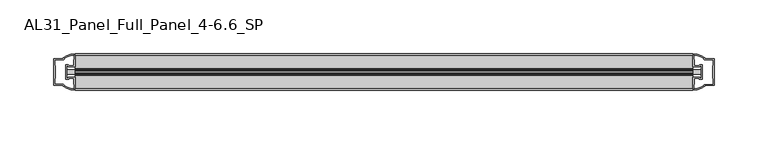
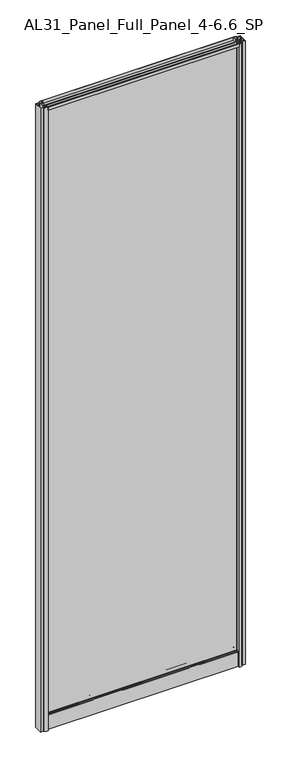
"""IFC4 building model written with IfcOpenShell, lengths in millimetres: plate geometry, AL31_Panel_Full_Panel_4-6.6_SP."""

from ifc_helpers import new_model, si_unit, point, frame, frame_2d, origin, origin_with_axes, place, context, project, spatial, polyline, circle_curve, trimmed, segment, composite_curve, outline, extrude, source, transform, mapped, element, save


def al31_panel_full_panel_4_6_6_sp_a6f5f22f(model_context):
    return source(origin(), model_context, "Body", "SweptSolid", [
        extrude(outline(composite_curve([segment(polyline([(-1.4, 1968.8980762), (-0.85, 1967.9454483)]), True, "CONTINUOUS"), segment(trimmed(circle_curve(frame_2d((0.1, 1966.3)), 1.9), [point((-0.85, 1967.9454483))], [point((1.05, 1967.9454483))], True, "CARTESIAN"), True, "CONTINUOUS"), segment(polyline([(1.05, 1967.9454483), (1.6, 1968.8980762)]), True, "CONTINUOUS"), segment(trimmed(circle_curve(frame_2d((0.1, 1966.3)), 3.0), [point((1.6, 1968.8980762))], [point((2.5718414, 1964.6))], False, "CARTESIAN"), True, "CONTINUOUS"), segment(polyline([(2.5718414, 1964.6), (15.7, 1964.6), (15.7, 1974.0), (17.0, 1974.0), (17.0, 1963.5), (6.7024688, 1963.5), (6.7024688, 1962.7), (6.1968782, 1960.7785039), (6.1968782, 1956.1), (5.0, 1956.1), (5.0, 1961.4339746), (5.5, 1962.3), (5.5, 1963.5), (-5.5, 1963.5), (-5.5, 1962.3), (-5.0, 1961.4339746), (-5.0, 1956.1), (-6.1968782, 1956.1), (-6.1968782, 1960.7785039), (-6.7024688, 1962.7), (-6.7024688, 1963.5), (-17.0, 1963.5), (-17.0, 1974.0), (-15.7, 1974.0), (-15.7, 1964.6), (-2.3718414, 1964.6)]), True, "CONTINUOUS"), segment(trimmed(circle_curve(frame_2d((0.1, 1966.3)), 3.0), [point((-2.3718414, 1964.6))], [point((-1.4, 1968.8980762))], False, "CARTESIAN"), True, "CONTINUOUS")], self_intersect=False)), frame((-286.878181, 0.0, 0.0), z_axis=(1.0, 0.0, 0.0), x_axis=(0.0, 1.0, 0.0)), (0.0, 0.0, 1.0), 573.7563621),
        extrude(outline(composite_curve([segment(polyline([(-294.7196024, -5.9), (-293.5196024, -5.9), (-293.5196024, -5.0), (-286.878181, -5.0), (-286.878181, -17.0001453)]), True, "CONTINUOUS"), segment(trimmed(circle_curve(frame_2d((-286.5135294, 2.9965302)), 20.0), [point((-286.878181, -17.0001453))], [point((-298.2340162, -13.2093388))], False, "CARTESIAN"), True, "CONTINUOUS"), segment(polyline([(-298.2340162, -13.2093388), (-298.2340162, -12.3279343), (-306.878181, -12.3279343), (-306.878181, 12.3720657), (-298.2340162, 12.3720657), (-298.2340162, 13.2095249)]), True, "CONTINUOUS"), segment(trimmed(circle_curve(frame_2d((-286.5135294, -2.9963441)), 20.0), [point((-298.2340162, 13.2095249))], [point((-286.878181, 17.0003314))], False, "CARTESIAN"), True, "CONTINUOUS"), segment(polyline([(-286.878181, 17.0003314), (-286.878181, 5.0), (-293.5196024, 5.0), (-293.5196024, 5.9), (-294.7196024, 5.9), (-294.7196024, -5.9)]), True, "CONTINUOUS")], self_intersect=False), holes=[composite_curve([segment(trimmed(circle_curve(frame_2d((-293.7196024, 5.7)), 1.5), [point((-293.7196024, 7.2))], [point((-292.3643481, 6.3428731))], False, "CARTESIAN"), True, "CONTINUOUS"), segment(polyline([(-292.3643481, 6.3428731), (-288.6196024, 6.3428731), (-288.6196024, 10.939223), (-288.1802626, 11.9998832), (-288.1802626, 15.6499817)]), True, "CONTINUOUS"), segment(trimmed(circle_curve(frame_2d((-286.5135294, -2.9755921)), 18.7), [point((-288.1802626, 15.6499817))], [point((-296.5203072, 12.8216987))], True, "CARTESIAN"), True, "CONTINUOUS"), segment(trimmed(circle_curve(frame_2d((-298.3196024, 12.8720657)), 1.8), [point((-296.5203072, 12.8216987))], [point((-298.3196024, 11.0720657))], False, "CARTESIAN"), True, "CONTINUOUS"), segment(polyline([(-298.3196024, 11.0720657), (-305.4610237, 11.0720657), (-305.4610237, 6.5019606), (-305.0196024, 5.439223), (-305.0196024, -5.3950916), (-305.5196024, -6.3879987), (-305.5196024, -11.0279343), (-298.3196024, -11.0279343)]), True, "CONTINUOUS"), segment(trimmed(circle_curve(frame_2d((-298.3196024, -12.8279343)), 1.8), [point((-298.3196024, -11.0279343))], [point((-296.5203072, -12.7775673))], False, "CARTESIAN"), True, "CONTINUOUS"), segment(trimmed(circle_curve(frame_2d((-286.5135294, 3.0197235)), 18.7), [point((-296.5203072, -12.7775673))], [point((-288.1802626, -15.6058503))], True, "CARTESIAN"), True, "CONTINUOUS"), segment(polyline([(-288.1802626, -15.6058503), (-288.1802626, -11.9557518), (-288.6196024, -10.8950916), (-288.6196024, -6.2991308), (-292.3444507, -6.2991308)]), True, "CONTINUOUS"), segment(trimmed(circle_curve(frame_2d((-293.7196024, -5.7)), 1.5), [point((-292.3444507, -6.2991308))], [point((-293.7196024, -7.2))], False, "CARTESIAN"), True, "CONTINUOUS"), segment(polyline([(-293.7196024, -7.2), (-296.0196024, -7.2), (-296.0196024, 7.2), (-293.7196024, 7.2)]), True, "CONTINUOUS")], self_intersect=False)]), origin_with_axes(), (0.0, 0.0, 1.0), 1974.0),
        extrude(outline(composite_curve([segment(polyline([(294.7196024, 5.9), (293.5196024, 5.9), (293.5196024, 5.0), (286.878181, 5.0), (286.878181, 17.0001453)]), True, "CONTINUOUS"), segment(trimmed(circle_curve(frame_2d((286.5135294, -2.9965302)), 20.0), [point((286.878181, 17.0001453))], [point((298.2340162, 13.2093388))], False, "CARTESIAN"), True, "CONTINUOUS"), segment(polyline([(298.2340162, 13.2093388), (298.2340162, 12.3279343), (306.878181, 12.3279343), (306.878181, -12.3720657), (298.2340162, -12.3720657), (298.2340162, -13.2095249)]), True, "CONTINUOUS"), segment(trimmed(circle_curve(frame_2d((286.5135294, 2.9963441)), 20.0), [point((298.2340162, -13.2095249))], [point((286.878181, -17.0003314))], False, "CARTESIAN"), True, "CONTINUOUS"), segment(polyline([(286.878181, -17.0003314), (286.878181, -5.0), (293.5196024, -5.0), (293.5196024, -5.9), (294.7196024, -5.9), (294.7196024, 5.9)]), True, "CONTINUOUS")], self_intersect=False), holes=[composite_curve([segment(trimmed(circle_curve(frame_2d((293.7196024, -5.7)), 1.5), [point((293.7196024, -7.2))], [point((292.3643481, -6.3428731))], False, "CARTESIAN"), True, "CONTINUOUS"), segment(polyline([(292.3643481, -6.3428731), (288.6196024, -6.3428731), (288.6196024, -10.939223), (288.1802626, -11.9998832), (288.1802626, -15.6499817)]), True, "CONTINUOUS"), segment(trimmed(circle_curve(frame_2d((286.5135294, 2.9755921)), 18.7), [point((288.1802626, -15.6499817))], [point((296.5203072, -12.8216987))], True, "CARTESIAN"), True, "CONTINUOUS"), segment(trimmed(circle_curve(frame_2d((298.3196024, -12.8720657)), 1.8), [point((296.5203072, -12.8216987))], [point((298.3196024, -11.0720657))], False, "CARTESIAN"), True, "CONTINUOUS"), segment(polyline([(298.3196024, -11.0720657), (305.4610237, -11.0720657), (305.4610237, -6.5019606), (305.0196024, -5.439223), (305.0196024, 5.3950916), (305.5196024, 6.3879987), (305.5196024, 11.0279343), (298.3196024, 11.0279343)]), True, "CONTINUOUS"), segment(trimmed(circle_curve(frame_2d((298.3196024, 12.8279343)), 1.8), [point((298.3196024, 11.0279343))], [point((296.5203072, 12.7775673))], False, "CARTESIAN"), True, "CONTINUOUS"), segment(trimmed(circle_curve(frame_2d((286.5135294, -3.0197235)), 18.7), [point((296.5203072, 12.7775673))], [point((288.1802626, 15.6058503))], True, "CARTESIAN"), True, "CONTINUOUS"), segment(polyline([(288.1802626, 15.6058503), (288.1802626, 11.9557518), (288.6196024, 10.8950916), (288.6196024, 6.2991308), (292.3444507, 6.2991308)]), True, "CONTINUOUS"), segment(trimmed(circle_curve(frame_2d((293.7196024, 5.7)), 1.5), [point((292.3444507, 6.2991308))], [point((293.7196024, 7.2))], False, "CARTESIAN"), True, "CONTINUOUS"), segment(polyline([(293.7196024, 7.2), (296.0196024, 7.2), (296.0196024, -7.2), (293.7196024, -7.2)]), True, "CONTINUOUS")], self_intersect=False)]), origin_with_axes(), (0.0, 0.0, 1.0), 1974.0),
        extrude(outline(composite_curve([segment(trimmed(circle_curve(frame_2d((-8.4, 34.8)), 1.0), [point((-8.4, 35.8))], [point((-9.4, 34.8))], True, "CARTESIAN"), True, "CONTINUOUS"), segment(polyline([(-9.4, 34.8), (-9.4, 33.5), (-5.0000303, 33.5), (-5.0000303, 32.3), (-9.4, 32.3), (-9.4, 0.0), (-10.6, 0.0), (-10.6, 47.3)]), True, "CONTINUOUS"), segment(trimmed(circle_curve(frame_2d((-8.6, 47.3)), 2.0), [point((-10.6, 47.3))], [point((-8.6, 49.3))], False, "CARTESIAN"), True, "CONTINUOUS"), segment(polyline([(-8.6, 49.3), (-5.0, 49.3), (-5.0, 41.9), (5.0, 41.9), (5.0, 49.3), (8.6, 49.3)]), True, "CONTINUOUS"), segment(trimmed(circle_curve(frame_2d((8.6, 47.3)), 2.0), [point((8.6, 49.3))], [point((10.6, 47.3))], False, "CARTESIAN"), True, "CONTINUOUS"), segment(polyline([(10.6, 47.3), (10.6, 0.0), (9.4, 0.0), (9.4, 32.3), (4.9999697, 32.3), (4.9999697, 33.5), (9.4, 33.5), (9.4, 34.8)]), True, "CONTINUOUS"), segment(trimmed(circle_curve(frame_2d((8.4, 34.8)), 1.0), [point((9.4, 34.8))], [point((8.4, 35.8))], True, "CARTESIAN"), True, "CONTINUOUS"), segment(polyline([(8.4, 35.8), (-8.4, 35.8)]), True, "CONTINUOUS")], self_intersect=False), holes=[composite_curve([segment(trimmed(circle_curve(frame_2d((5.5024688, 41.8)), 1.0), [point((6.5024688, 41.8))], [point((5.5024688, 40.8))], False, "CARTESIAN"), True, "CONTINUOUS"), segment(polyline([(5.5024688, 40.8), (2.8008965, 40.8), (2.8008965, 39.7274194), (1.8370508, 39.7274194)]), True, "CONTINUOUS"), segment(trimmed(circle_curve(frame_2d((0.0, 38.7)), 2.1048387), [point((1.8370508, 39.7274194))], [point((-1.8370508, 39.7274194))], True, "CARTESIAN"), True, "CONTINUOUS"), segment(polyline([(-1.8370508, 39.7274194), (-2.8008965, 39.7274194), (-2.8008965, 40.8), (-5.5024688, 40.8)]), True, "CONTINUOUS"), segment(trimmed(circle_curve(frame_2d((-5.5024688, 41.8)), 1.0), [point((-5.5024688, 40.8))], [point((-6.5024688, 41.8))], False, "CARTESIAN"), True, "CONTINUOUS"), segment(polyline([(-6.5024688, 41.8), (-6.5024688, 42.7)]), True, "CONTINUOUS"), segment(trimmed(circle_curve(frame_2d((-5.3024688, 42.7)), 1.2), [point((-6.5024688, 42.7))], [point((-6.1198184, 43.5786009))], False, "CARTESIAN"), True, "CONTINUOUS"), segment(polyline([(-6.1198184, 43.5786009), (-6.1198184, 48.2), (-8.4, 48.2)]), True, "CONTINUOUS"), segment(trimmed(circle_curve(frame_2d((-8.4, 47.2)), 1.0), [point((-8.4, 48.2))], [point((-9.4, 47.2))], True, "CARTESIAN"), True, "CONTINUOUS"), segment(polyline([(-9.4, 47.2), (-9.4, 37.04), (-2.8008965, 37.04), (-2.8008965, 38.0725806), (-1.8370508, 38.0725806)]), True, "CONTINUOUS"), segment(trimmed(circle_curve(frame_2d((0.0, 39.1)), 2.1048387), [point((-1.8370508, 38.0725806))], [point((1.8370508, 38.0725806))], True, "CARTESIAN"), True, "CONTINUOUS"), segment(polyline([(1.8370508, 38.0725806), (2.8008965, 38.0725806), (2.8008965, 37.04), (9.4, 37.04), (9.4, 47.2)]), True, "CONTINUOUS"), segment(trimmed(circle_curve(frame_2d((8.4, 47.2)), 1.0), [point((9.4, 47.2))], [point((8.4, 48.2))], True, "CARTESIAN"), True, "CONTINUOUS"), segment(polyline([(8.4, 48.2), (6.1198184, 48.2), (6.1198184, 43.7786009)]), True, "CONTINUOUS"), segment(trimmed(circle_curve(frame_2d((5.3024688, 42.9)), 1.2), [point((6.1198184, 43.7786009))], [point((6.5024688, 42.9))], False, "CARTESIAN"), True, "CONTINUOUS"), segment(polyline([(6.5024688, 42.9), (6.5024688, 41.8)]), True, "CONTINUOUS")], self_intersect=False)]), frame((-286.878181, 0.0, 0.0), z_axis=(1.0, 0.0, 0.0), x_axis=(0.0, 1.0, 0.0)), (0.0, 0.0, 1.0), 573.7563621),
        extrude(outline(polyline([(294.7196024, 2.0), (294.7196024, -2.0), (-294.7196024, -2.0), (-294.7196024, 2.0), (294.7196024, 2.0)])), frame((0.0, 0.0, 41.9), z_axis=(0.0, 0.0, 1.0), x_axis=(1.0, 0.0, 0.0)), (0.0, 0.0, 1.0), 1921.6),
    ])


if __name__ == "__main__":
    model = new_model("IFC4")
    model_context = context("Model", 3, world=origin())
    ifc_project = project(units=[si_unit("LENGTHUNIT", "METRE", prefix="MILLI")], contexts=[model_context])
    site = spatial("IfcSite", under=ifc_project)
    building = spatial("IfcBuilding", under=site)
    placement = place(None, origin())
    al31_panel_full_panel_4_6_6_sp_shape = al31_panel_full_panel_4_6_6_sp_a6f5f22f(model_context)
    element("IfcPlate", 1, ObjectType="AL31_Panel_Full_Panel_4-6.6_SP", at=placement, inside=building, context=model_context, shape_type="MappedRepresentation", body=[
        mapped(al31_panel_full_panel_4_6_6_sp_shape, transform((0.0, 0.0, 0.0), x_axis=(1.0, 0.0, 0.0), y_axis=(0.0, 1.0, 0.0), z_axis=(0.0, 0.0, 1.0))),
    ])
    save(model, "model.ifc")
